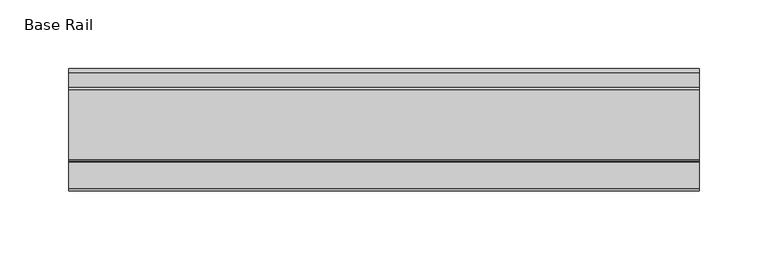
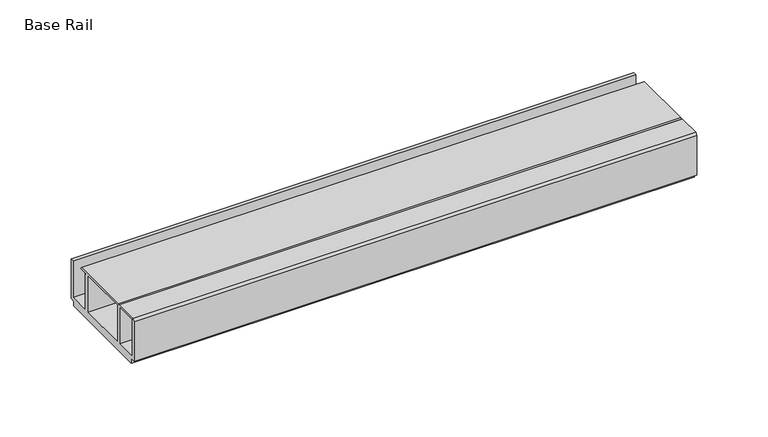
"""IFC4 building model written with IfcOpenShell, lengths in millimetres: furniture geometry, Base Rail."""

from ifc_helpers import new_model, si_unit, frame, origin, place, context, project, spatial, polyline, outline, extrude, source, transform, mapped, element, save


def base_rail_5dec3f2d(model_context):
    return source(origin(), model_context, "Body", "SweptSolid", [
        extrude(outline(polyline([(-28.948195, 4.0000001), (-28.948195, 38.1), (-27.0760904, 39.6875), (-8.0302549, 39.6875), (-7.1219223, 38.7791674), (-6.2135897, 39.6875), (44.9726737, 39.6875), (46.1177636, 38.5424102), (-26.1481963, 38.5424102), (-26.1481963, 6.6000002), (-8.7481957, 6.6000002), (-8.7481957, 38.1), (-5.4481956, 38.1), (-5.4481956, 6.6000002), (36.4518057, 6.6000002), (36.4518057, 38.1), (39.7518058, 38.1), (39.7518058, 6.6000002), (57.1518064, 6.6000002), (57.1518064, 38.1), (59.951805, 38.1), (59.951805, 4.0000001), (55.9518063, 4.0000001), (55.9518063, 0.0), (-24.9481962, 0.0), (-24.9481962, 4.0000001), (-28.948195, 4.0000001)])), frame((-198.6228469, 0.0, 0.0), z_axis=(1.0, 0.0, 0.0), x_axis=(0.0, 1.0, 0.0)), (0.0, 0.0, 1.0), 457.2),
    ])


if __name__ == "__main__":
    model = new_model("IFC4")
    model_context = context("Model", 3, world=origin())
    ifc_project = project(units=[si_unit("LENGTHUNIT", "METRE", prefix="MILLI")], contexts=[model_context])
    site = spatial("IfcSite", under=ifc_project)
    building = spatial("IfcBuilding", under=site)
    placement = place(None, origin())
    base_rail_shape = base_rail_5dec3f2d(model_context)
    element("IfcFurniture", 1, ObjectType="Base Rail", at=placement, inside=building, context=model_context, shape_type="MappedRepresentation", body=[
        mapped(base_rail_shape, transform((0.0, 0.0, 0.0), x_axis=(1.0, 0.0, 0.0), y_axis=(0.0, 1.0, 0.0), z_axis=(0.0, 0.0, 1.0))),
    ])
    save(model, "model.ifc")
